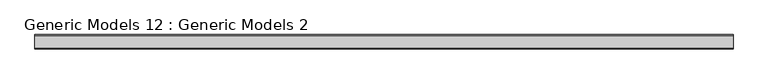
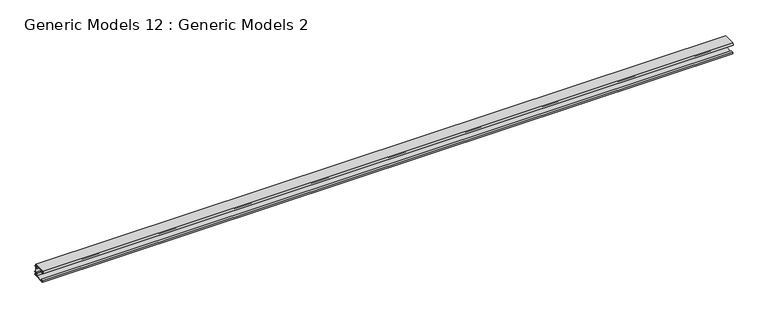
"""IFC4 building model written with IfcOpenShell, lengths in millimetres: proxy geometry, Generic Models 12 : Generic Models 2."""

import ifcopenshell
import ifcopenshell.guid

model = None  # the IFC model being written
_history = None  # IfcOwnerHistory: only IFC2X3 demands one
_inside = {}  # id of a spatial element -> (the spatial element, [elements in it])
_under = {}  # id of a project, library or spatial element -> (it, [spatial elements below it])
_declared = {}  # id of a project -> (the project, [libraries it declares])
_typed = {}  # id of a type object -> (the type object, [elements of that type])
_made_of = {}  # id of a material, layer set ... -> (it, [elements and type objects made of it])


def new_model(schema):
    """Start an empty IFC model of exactly this schema.

    Asked for "IFC4X3", IfcOpenShell would pick the latest addendum, in which some entities
    have other attributes; the version numbers below select the first issue.
    IFC2X3 requires an IfcOwnerHistory on every rooted entity: one is made here for all.
    """
    global model, _history
    if schema == "IFC4X3":
        model = ifcopenshell.file(schema_version=(4, 3, 0, 0))
    else:
        model = ifcopenshell.file(schema=schema)
    _inside.clear()
    _under.clear()
    _declared.clear()
    _typed.clear()
    _made_of.clear()
    _history = None
    if model.schema == "IFC2X3":
        org = make("IfcOrganization", Name="unknown")
        user = make(
            "IfcPersonAndOrganization",
            ThePerson=make("IfcPerson", FamilyName="unknown"),
            TheOrganization=org,
        )
        app = make(
            "IfcApplication",
            ApplicationDeveloper=org,
            Version="unknown",
            ApplicationFullName="unknown",
            ApplicationIdentifier="unknown",
        )
        _history = make(
            "IfcOwnerHistory",
            OwningUser=user,
            OwningApplication=app,
            ChangeAction="ADDED",
            CreationDate=0,
        )
    return model


def make(cls, **values):
    """One entity of the class cls with the attributes given. An attribute that is None is left unset."""
    return model.create_entity(
        cls, **{name: value for name, value in values.items() if value is not None}
    )


def rooted(cls, **values):
    """An entity with a GlobalId (a new one), such as an element, a storey or a relation."""
    return make(cls, GlobalId=ifcopenshell.guid.new(), OwnerHistory=_history, **values)


def si_unit(unit_type, name, prefix=None):
    """IfcSIUnit, for example si_unit("LENGTHUNIT", "METRE", prefix="MILLI")."""
    return make("IfcSIUnit", UnitType=unit_type, Prefix=prefix, Name=name)


def assignment(units):
    """IfcUnitAssignment: the units of a project."""
    return None if units is None else make("IfcUnitAssignment", Units=units)


def point(xyz):
    """IfcCartesianPoint."""
    return None if xyz is None else make("IfcCartesianPoint", Coordinates=xyz)


def direction(xyz):
    """IfcDirection."""
    return None if xyz is None else make("IfcDirection", DirectionRatios=xyz)


def frame(location, z_axis=None, x_axis=None):
    """IfcAxis2Placement3D, a coordinate frame: its origin and axes. An axis left out is left unset."""
    return make(
        "IfcAxis2Placement3D",
        Location=point(location),
        Axis=direction(z_axis),
        RefDirection=direction(x_axis),
    )


def origin():
    """The frame at (0, 0, 0) with its axes left unset."""
    return frame((0.0, 0.0, 0.0))


def place(relative_to, where):
    """IfcLocalPlacement: puts the frame where relative to a parent placement (None: the world)."""
    return make(
        "IfcLocalPlacement", PlacementRelTo=relative_to, RelativePlacement=where
    )


def context(
    kind, dimensions, precision=None, world=None, true_north=None, identifier=None
):
    """IfcGeometricRepresentationContext, for example the 3D "Model" context."""
    return make(
        "IfcGeometricRepresentationContext",
        ContextIdentifier=identifier,
        ContextType=kind,
        CoordinateSpaceDimension=dimensions,
        Precision=precision,
        WorldCoordinateSystem=world,
        TrueNorth=true_north,
    )


def project(units=None, contexts=None):
    """IfcProject with its units and contexts."""
    return rooted(
        "IfcProject",
        Name="project",
        RepresentationContexts=contexts,
        UnitsInContext=assignment(units),
    )


def spatial(cls, under=None, at=None, **own):
    """A site, building, storey or space (cls), placed at a placement, below another one or the project."""
    s = rooted(cls, ObjectPlacement=at, **own)
    if under is not None:
        _under.setdefault(under.id(), (under, []))[1].append(s)
    return s


def polyline(points):
    """IfcPolyline through the points."""
    return make("IfcPolyline", Points=[point(p) for p in points])


def outline(outer, holes=None, kind="AREA"):
    """IfcArbitraryClosedProfileDef: a profile drawn as a closed curve; with holes, ...WithVoids."""
    if holes is None:
        return make("IfcArbitraryClosedProfileDef", ProfileType=kind, OuterCurve=outer)
    return make(
        "IfcArbitraryProfileDefWithVoids",
        ProfileType=kind,
        OuterCurve=outer,
        InnerCurves=holes,
    )


def extrude(swept, where, along, depth):
    """IfcExtrudedAreaSolid: the profile swept, set in the frame where, extruded along a direction by depth."""
    return make(
        "IfcExtrudedAreaSolid",
        SweptArea=swept,
        Position=where,
        ExtrudedDirection=direction(along),
        Depth=depth,
    )


def shape(context_of_items, identifier, shape_type, items):
    """IfcShapeRepresentation: the items that make up one representation, for example the "Body"."""
    return make(
        "IfcShapeRepresentation",
        ContextOfItems=context_of_items,
        RepresentationIdentifier=identifier,
        RepresentationType=shape_type,
        Items=items,
    )


def source(mapping_origin, context_of_items, identifier, shape_type, items):
    """IfcRepresentationMap: a shape defined once, which mapped items show again and again."""
    return make(
        "IfcRepresentationMap",
        MappingOrigin=mapping_origin,
        MappedRepresentation=shape(context_of_items, identifier, shape_type, items),
    )


def transform(
    local_origin,
    x_axis=None,
    y_axis=None,
    z_axis=None,
    scale=None,
    scale2=None,
    scale3=None,
    uniform=True,
):
    """IfcCartesianTransformationOperator3D, or its non-uniform kind. x_axis, y_axis, z_axis: its Axis1, 2, 3."""
    if uniform:
        return make(
            "IfcCartesianTransformationOperator3D",
            Axis1=direction(x_axis),
            Axis2=direction(y_axis),
            LocalOrigin=point(local_origin),
            Scale=scale,
            Axis3=direction(z_axis),
        )
    return make(
        "IfcCartesianTransformationOperator3DnonUniform",
        Axis1=direction(x_axis),
        Axis2=direction(y_axis),
        LocalOrigin=point(local_origin),
        Scale=scale,
        Axis3=direction(z_axis),
        Scale2=scale2,
        Scale3=scale3,
    )


def mapped(mapping_source, mapping_target):
    """IfcMappedItem: shows the shape of a source again, moved by a transform."""
    return make(
        "IfcMappedItem", MappingSource=mapping_source, MappingTarget=mapping_target
    )


def made_of(thing, what):
    """Note that an element or type object is made of a material, layer set ...; save() writes the relation."""
    if what is not None:
        _made_of.setdefault(what.id(), (what, []))[1].append(thing)
    return thing


def element(
    cls,
    number,
    at=None,
    inside=None,
    cuts=None,
    type_object=None,
    material=None,
    context=None,
    identifier="Body",
    shape_type=None,
    held_by="IfcProductDefinitionShape",
    body=None,
    shapes=None,
    **own,
):
    """One element of the class cls, such as IfcWall. Its Tag is "e" and its number.

    at: its placement. inside: the storey or other place that contains it. cuts: it is an
    opening in that element (IfcRelVoidsElement). A single representation is given by context,
    identifier, shape_type and body (its items); several are given by shapes. held_by: the class
    of the entity that holds the representations. save() writes the other relations.
    """
    e = rooted(cls, Tag="e%d" % number, ObjectPlacement=at, **own)
    if body is not None:
        shapes = [shape(context, identifier, shape_type, body)]
    if shapes is not None:
        e.Representation = make(held_by, Representations=shapes)
    if inside is not None:
        _inside.setdefault(inside.id(), (inside, []))[1].append(e)
    if cuts is not None:
        rooted(
            "IfcRelVoidsElement", RelatingBuildingElement=cuts, RelatedOpeningElement=e
        )
    if type_object is not None:
        _typed.setdefault(type_object.id(), (type_object, []))[1].append(e)
    return made_of(e, material)


def aggregate(whole, parts):
    """IfcRelAggregates: a whole, such as a stair, and the parts it consists of."""
    return rooted("IfcRelAggregates", RelatingObject=whole, RelatedObjects=parts)


def save(model, path):
    """Write the relations noted so far, then the file.

    IfcRelAggregates (storeys below a building ...), IfcRelContainedInSpatialStructure (elements
    in a storey), IfcRelDefinesByType, IfcRelAssociatesMaterial and IfcRelDeclares: one each for
    every whole, place, type object, material and project.
    """
    for whole, parts in _under.values():
        aggregate(whole, parts)
    for where, things in _inside.values():
        rooted(
            "IfcRelContainedInSpatialStructure",
            RelatedElements=things,
            RelatingStructure=where,
        )
    for kind, things in _typed.values():
        rooted("IfcRelDefinesByType", RelatedObjects=things, RelatingType=kind)
    for what, things in _made_of.values():
        rooted("IfcRelAssociatesMaterial", RelatedObjects=things, RelatingMaterial=what)
    for by, libraries in _declared.values():
        rooted("IfcRelDeclares", RelatingContext=by, RelatedDefinitions=libraries)
    model.write(path)


def generic_models_12_generic_models_2_d96a4bb0(model_context):
    return source(origin(), model_context, "Body", "SweptSolid", [
        extrude(outline(polyline([(101.1540989, -34.548934), (100.6774708, -33.6894547), (99.6266837, -33.6894547), (98.2121846, -43.5909486), (96.8400358, -43.5909486), (96.8400358, -31.4364202), (52.3129583, -31.4364202), (52.3129583, -33.7487451), (48.0440507, -33.7487451), (43.1822393, -31.9700336), (42.8857874, -33.7487451), (39.7433971, -33.7487451), (39.7433971, -28.2940299), (104.2513336, -28.2940299), (104.2513336, -31.4364202), (101.9390087, -31.4364202), (101.9390087, -32.8442968), (102.5976711, -33.8576236), (102.1039677, -34.5981786), (101.1540989, -34.548934)])), frame((0.0, 0.0, 0.0), z_axis=(1.0, 0.0, 0.0), x_axis=(0.0, 1.0, 0.0)), (0.0, 0.0, 1.0), 3657.6),
        extrude(outline(polyline([(38.5070642, -29.9064685), (39.5456774, -29.9064685), (39.5456774, -34.0393307), (43.3119152, -34.0393307), (43.5689213, -32.4972938), (47.7838221, -34.0393307), (52.3129583, -34.0393307), (52.3129583, -35.2446346), (47.0642918, -41.3379141), (35.4586788, -41.3379141), (38.5070642, -29.9064685)])), frame((0.0, 0.0, 0.0), z_axis=(1.0, 0.0, 0.0), x_axis=(0.0, 1.0, 0.0)), (0.0, 0.0, 1.0), 3657.6),
        extrude(outline(polyline([(51.6014737, -89.2445434), (94.5277108, -89.2445434), (94.5277108, -73.1768497), (101.4053952, -73.1768497), (101.4053952, -47.2669524), (94.5277108, -47.2669524), (94.5277108, -31.7921625), (96.0692608, -31.7921625), (96.0692608, -45.2510794), (101.4053952, -45.2510794), (101.4053952, -41.5157852), (102.7097837, -40.2113968), (102.7097837, -33.3930028), (102.0575894, -32.4443567), (102.5912029, -31.6142913), (103.9548817, -31.6142913), (103.9548817, -40.2113968), (110.2396623, -40.2113968), (110.2396623, -42.2272698), (103.9548817, -42.2272698), (103.9548817, -73.2954304), (110.2396623, -73.2954304), (110.2396623, -75.3113034), (103.9548817, -75.3113034), (103.9548817, -86.2207339), (110.2396623, -86.2207339), (110.2396623, -88.2366069), (103.9548817, -88.2366069), (103.9548817, -91.7940299), (41.5276497, -91.7940299), (40.9292048, -84.6791839), (45.9688873, -84.6791839), (46.1915878, -85.9835723), (44.1583642, -85.9835723), (44.1583642, -87.5742305), (46.0571573, -88.4596523), (48.3385763, -88.4596523), (50.0599237, -87.4658319), (50.0599237, -85.9835723), (48.2516066, -85.9835723), (49.555879, -84.6791839), (51.6014737, -84.6791839), (51.6014737, -89.2445434)]), holes=[polyline([(101.8204279, -88.6516396), (101.8204279, -75.3113034), (96.0692608, -75.3113034), (96.0692608, -88.6516396), (101.8204279, -88.6516396)])]), frame((0.0, 0.0, 0.0), z_axis=(1.0, 0.0, 0.0), x_axis=(0.0, 1.0, 0.0)), (0.0, 0.0, 1.0), 3657.6),
        extrude(outline(polyline([(36.9488548, -81.3379141), (51.6014737, -81.3379141), (51.6014737, -84.3723385), (49.3732337, -84.3723385), (47.5348223, -86.2107499), (49.7892105, -86.2107499), (49.7892105, -87.2999367), (48.2988703, -88.1603851), (46.2185718, -88.1603851), (44.4170882, -87.3203395), (44.4170882, -86.2959906), (46.4553515, -86.2959906), (46.1269231, -84.3723385), (40.6866234, -84.3723385), (41.269034, -91.2965535), (39.167619, -91.2965535), (36.9488548, -81.3379141)])), frame((0.0, 0.0, 0.0), z_axis=(1.0, 0.0, 0.0), x_axis=(0.0, 1.0, 0.0)), (0.0, 0.0, 1.0), 3657.6),
    ])


if __name__ == "__main__":
    model = new_model("IFC4")
    model_context = context("Model", 3, world=origin())
    ifc_project = project(units=[si_unit("LENGTHUNIT", "METRE", prefix="MILLI")], contexts=[model_context])
    site = spatial("IfcSite", under=ifc_project)
    building = spatial("IfcBuilding", under=site)
    placement = place(None, origin())
    generic_models_12_generic_models_2_shape = generic_models_12_generic_models_2_d96a4bb0(model_context)
    element("IfcBuildingElementProxy", 1, Name="Generic Models 12 : Generic Models 2", ObjectType="Generic Models 12 : Generic Models 2", at=placement, inside=building, context=model_context, shape_type="MappedRepresentation", body=[
        mapped(generic_models_12_generic_models_2_shape, transform((0.0, 0.0, 0.0), x_axis=(1.0, 0.0, 0.0), y_axis=(0.0, 1.0, 0.0), z_axis=(0.0, 0.0, 1.0))),
    ])
    save(model, "model.ifc")
